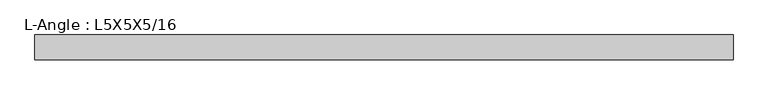
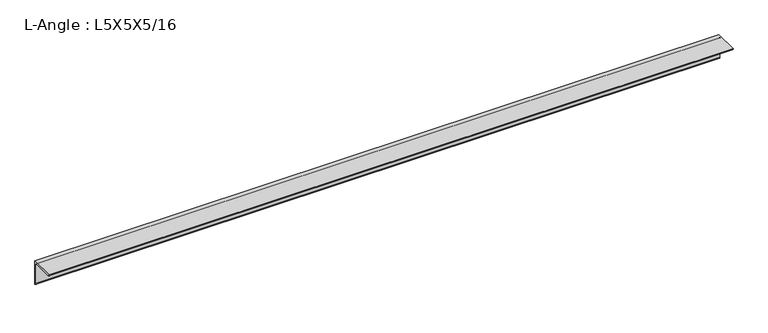
"""IFC4 building model written with IfcOpenShell, lengths in millimetres: beam geometry, L-Angle : L5X5X5/16."""

from ifc_helpers import new_model, si_unit, point, frame, frame_2d, origin, place, context, project, spatial, polyline, circle_curve, trimmed, segment, composite_curve, outline, extrude, source, transform, mapped, element, save


def l_angle_l5x5x5_16_07bce1b5(model_context):
    return source(origin(), model_context, "Body", "SweptSolid", [
        extrude(outline(composite_curve([segment(polyline([(34.3296875, 34.3296875), (34.3296875, -92.6703125)]), True, "CONTINUOUS"), segment(trimmed(circle_curve(frame_2d((34.3296875, -84.7328125)), 7.9375), [point((34.3296875, -92.6703125))], [point((26.3921875, -84.7328125))], False, "CARTESIAN"), True, "CONTINUOUS"), segment(polyline([(26.3921875, -84.7328125), (26.3921875, 18.4546875)]), True, "CONTINUOUS"), segment(trimmed(circle_curve(frame_2d((18.4546875, 18.4546875)), 7.9375), [point((26.3921875, 18.4546875))], [point((18.4546875, 26.3921875))], True, "CARTESIAN"), True, "CONTINUOUS"), segment(polyline([(18.4546875, 26.3921875), (-84.7328125, 26.3921875)]), True, "CONTINUOUS"), segment(trimmed(circle_curve(frame_2d((-84.7328125, 34.3296875)), 7.9375), [point((-84.7328125, 26.3921875))], [point((-92.6703125, 34.3296875))], False, "CARTESIAN"), True, "CONTINUOUS"), segment(polyline([(-92.6703125, 34.3296875), (34.3296875, 34.3296875)]), True, "CONTINUOUS")], self_intersect=False)), frame((-1748.8296875, 0.0, 0.0), z_axis=(1.0, 0.0, 0.0), x_axis=(0.0, 1.0, 0.0)), (0.0, 0.0, 1.0), 3556.0),
    ])


if __name__ == "__main__":
    model = new_model("IFC4")
    model_context = context("Model", 3, world=origin())
    ifc_project = project(units=[si_unit("LENGTHUNIT", "METRE", prefix="MILLI")], contexts=[model_context])
    site = spatial("IfcSite", under=ifc_project)
    building = spatial("IfcBuilding", under=site)
    placement = place(None, origin())
    l_angle_l5x5x5_16_shape = l_angle_l5x5x5_16_07bce1b5(model_context)
    element("IfcBeam", 1, ObjectType="L-Angle : L5X5X5/16", at=placement, inside=building, context=model_context, shape_type="MappedRepresentation", body=[
        mapped(l_angle_l5x5x5_16_shape, transform((0.0, 0.0, 0.0), x_axis=(1.0, 0.0, 0.0), y_axis=(0.0, 1.0, 0.0), z_axis=(0.0, 0.0, 1.0))),
    ])
    save(model, "model.ifc")
